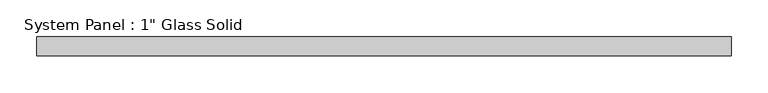
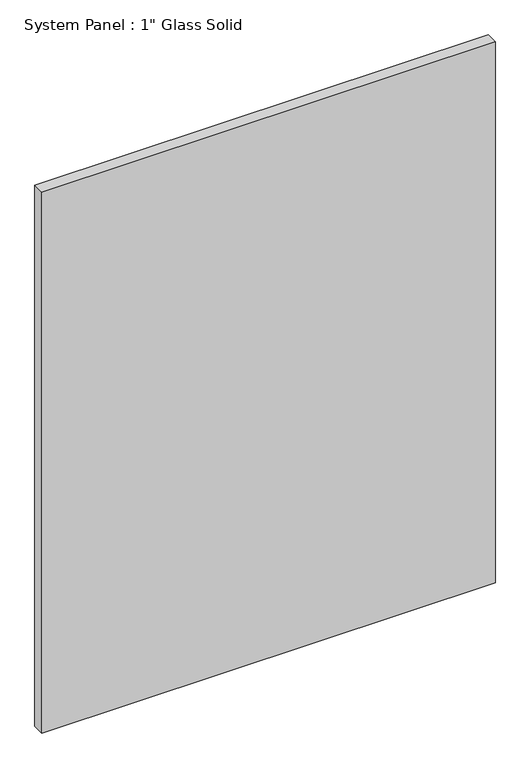
"""IFC4 building model written with IfcOpenShell, lengths in millimetres: plate geometry."""

from ifc_helpers import new_model, si_unit, origin, origin_with_axes, place, context, project, spatial, polyline, outline, extrude, source, transform, mapped, element, save


def plate_dfa7d1bb(model_context):
    return source(origin(), model_context, "Body", "SweptSolid", [
        extrude(outline(polyline([(470.9095691, -12.7), (-470.9095691, -12.7), (-470.9095691, 12.7), (470.9095691, 12.7), (470.9095691, -12.7)])), origin_with_axes(), (0.0, 0.0, 1.0), 1187.4517704),
    ])


if __name__ == "__main__":
    model = new_model("IFC4")
    model_context = context("Model", 3, world=origin())
    ifc_project = project(units=[si_unit("LENGTHUNIT", "METRE", prefix="MILLI")], contexts=[model_context])
    site = spatial("IfcSite", under=ifc_project)
    building = spatial("IfcBuilding", under=site)
    placement = place(None, origin())
    plate_shape = plate_dfa7d1bb(model_context)
    element("IfcPlate", 1, ObjectType="System Panel : 1\" Glass Solid", at=placement, inside=building, context=model_context, shape_type="MappedRepresentation", body=[
        mapped(plate_shape, transform((0.0, 0.0, 0.0), x_axis=(1.0, 0.0, 0.0), y_axis=(0.0, 1.0, 0.0), z_axis=(0.0, 0.0, 1.0))),
    ])
    save(model, "model.ifc")
